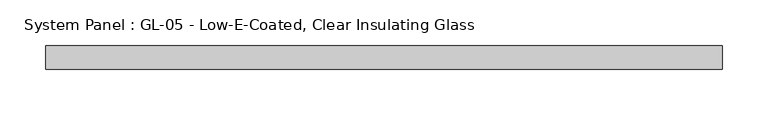
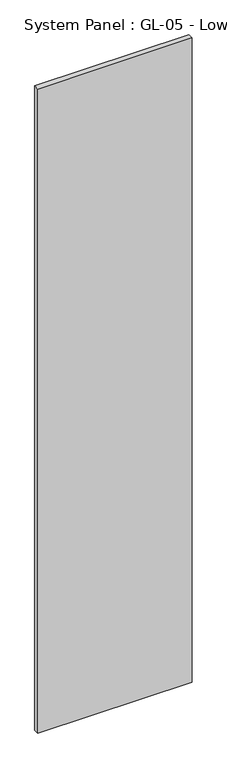
"""IFC4 building model written with IfcOpenShell, lengths in millimetres: plate geometry, System Panel : GL-05 - Low-E-Coated, Clear Insulating Glass."""

from ifc_helpers import new_model, si_unit, origin, origin_with_axes, place, context, project, spatial, polyline, outline, extrude, source, transform, mapped, element, save


def system_panel_gl_05_low_e_coated_clear_insulating_glass_99446168(model_context):
    return source(origin(), model_context, "Body", "SweptSolid", [
        extrude(outline(polyline([(368.3, -12.7), (-368.3, -12.7), (-368.3, 12.7), (368.3, 12.7), (368.3, -12.7)])), origin_with_axes(), (0.0, 0.0, 1.0), 3251.2),
    ])


if __name__ == "__main__":
    model = new_model("IFC4")
    model_context = context("Model", 3, world=origin())
    ifc_project = project(units=[si_unit("LENGTHUNIT", "METRE", prefix="MILLI")], contexts=[model_context])
    site = spatial("IfcSite", under=ifc_project)
    building = spatial("IfcBuilding", under=site)
    placement = place(None, origin())
    system_panel_gl_05_low_e_coated_clear_insulating_glass_shape = system_panel_gl_05_low_e_coated_clear_insulating_glass_99446168(model_context)
    element("IfcPlate", 1, ObjectType="System Panel : GL-05 - Low-E-Coated, Clear Insulating Glass", at=placement, inside=building, context=model_context, shape_type="MappedRepresentation", body=[
        mapped(system_panel_gl_05_low_e_coated_clear_insulating_glass_shape, transform((0.0, 0.0, 0.0), x_axis=(1.0, 0.0, 0.0), y_axis=(0.0, 1.0, 0.0), z_axis=(0.0, 0.0, 1.0))),
    ])
    save(model, "model.ifc")
